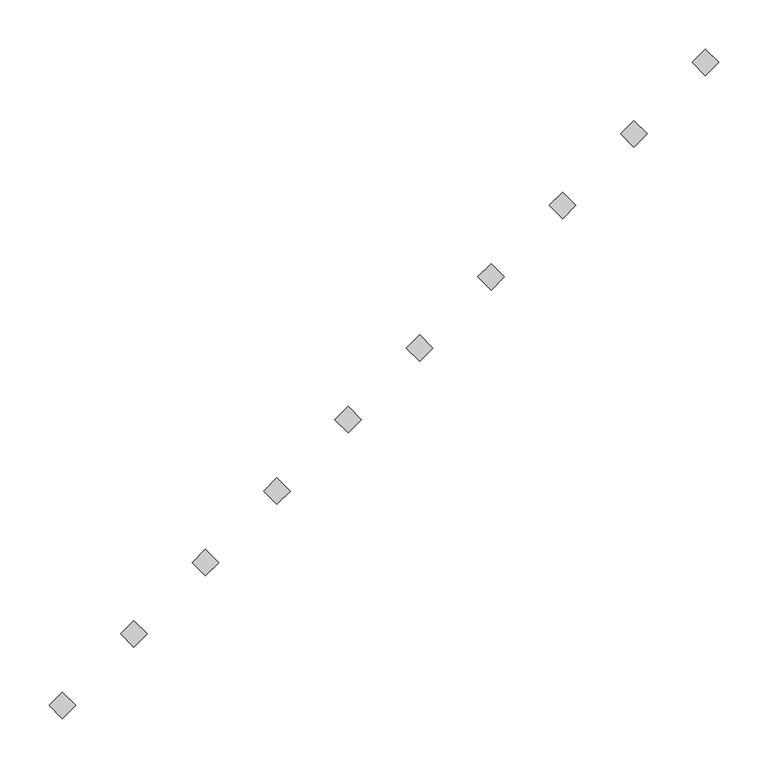
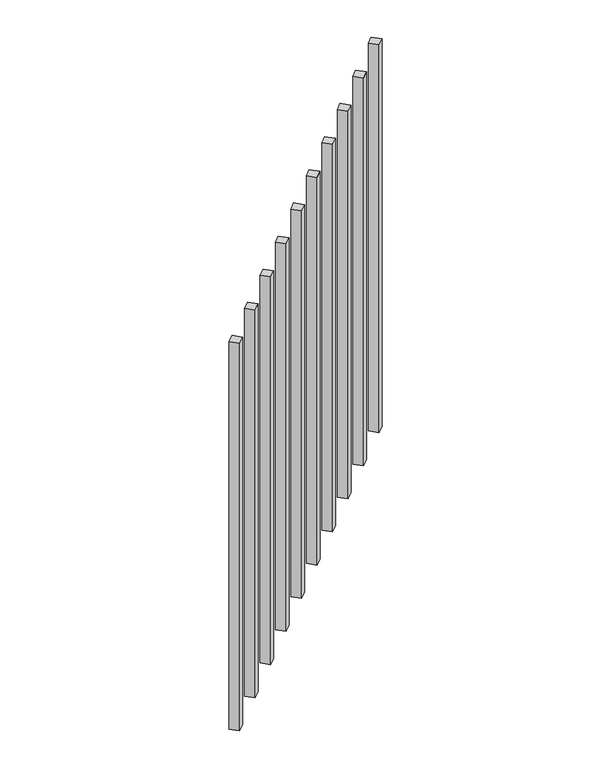
"""IFC4 building model written with IfcOpenShell, lengths in millimetres: railing geometry."""

import ifcopenshell
import ifcopenshell.guid

model = None  # the IFC model being written
_history = None  # IfcOwnerHistory: only IFC2X3 demands one
_inside = {}  # id of a spatial element -> (the spatial element, [elements in it])
_under = {}  # id of a project, library or spatial element -> (it, [spatial elements below it])
_declared = {}  # id of a project -> (the project, [libraries it declares])
_typed = {}  # id of a type object -> (the type object, [elements of that type])
_made_of = {}  # id of a material, layer set ... -> (it, [elements and type objects made of it])


def new_model(schema):
    """Start an empty IFC model of exactly this schema.

    Asked for "IFC4X3", IfcOpenShell would pick the latest addendum, in which some entities
    have other attributes; the version numbers below select the first issue.
    IFC2X3 requires an IfcOwnerHistory on every rooted entity: one is made here for all.
    """
    global model, _history
    if schema == "IFC4X3":
        model = ifcopenshell.file(schema_version=(4, 3, 0, 0))
    else:
        model = ifcopenshell.file(schema=schema)
    _inside.clear()
    _under.clear()
    _declared.clear()
    _typed.clear()
    _made_of.clear()
    _history = None
    if model.schema == "IFC2X3":
        org = make("IfcOrganization", Name="unknown")
        user = make(
            "IfcPersonAndOrganization",
            ThePerson=make("IfcPerson", FamilyName="unknown"),
            TheOrganization=org,
        )
        app = make(
            "IfcApplication",
            ApplicationDeveloper=org,
            Version="unknown",
            ApplicationFullName="unknown",
            ApplicationIdentifier="unknown",
        )
        _history = make(
            "IfcOwnerHistory",
            OwningUser=user,
            OwningApplication=app,
            ChangeAction="ADDED",
            CreationDate=0,
        )
    return model


def make(cls, **values):
    """One entity of the class cls with the attributes given. An attribute that is None is left unset."""
    return model.create_entity(
        cls, **{name: value for name, value in values.items() if value is not None}
    )


def rooted(cls, **values):
    """An entity with a GlobalId (a new one), such as an element, a storey or a relation."""
    return make(cls, GlobalId=ifcopenshell.guid.new(), OwnerHistory=_history, **values)


def si_unit(unit_type, name, prefix=None):
    """IfcSIUnit, for example si_unit("LENGTHUNIT", "METRE", prefix="MILLI")."""
    return make("IfcSIUnit", UnitType=unit_type, Prefix=prefix, Name=name)


def assignment(units):
    """IfcUnitAssignment: the units of a project."""
    return None if units is None else make("IfcUnitAssignment", Units=units)


def point(xyz):
    """IfcCartesianPoint."""
    return None if xyz is None else make("IfcCartesianPoint", Coordinates=xyz)


def direction(xyz):
    """IfcDirection."""
    return None if xyz is None else make("IfcDirection", DirectionRatios=xyz)


def frame(location, z_axis=None, x_axis=None):
    """IfcAxis2Placement3D, a coordinate frame: its origin and axes. An axis left out is left unset."""
    return make(
        "IfcAxis2Placement3D",
        Location=point(location),
        Axis=direction(z_axis),
        RefDirection=direction(x_axis),
    )


def origin():
    """The frame at (0, 0, 0) with its axes left unset."""
    return frame((0.0, 0.0, 0.0))


def place(relative_to, where):
    """IfcLocalPlacement: puts the frame where relative to a parent placement (None: the world)."""
    return make(
        "IfcLocalPlacement", PlacementRelTo=relative_to, RelativePlacement=where
    )


def context(
    kind, dimensions, precision=None, world=None, true_north=None, identifier=None
):
    """IfcGeometricRepresentationContext, for example the 3D "Model" context."""
    return make(
        "IfcGeometricRepresentationContext",
        ContextIdentifier=identifier,
        ContextType=kind,
        CoordinateSpaceDimension=dimensions,
        Precision=precision,
        WorldCoordinateSystem=world,
        TrueNorth=true_north,
    )


def project(units=None, contexts=None):
    """IfcProject with its units and contexts."""
    return rooted(
        "IfcProject",
        Name="project",
        RepresentationContexts=contexts,
        UnitsInContext=assignment(units),
    )


def spatial(cls, under=None, at=None, **own):
    """A site, building, storey or space (cls), placed at a placement, below another one or the project."""
    s = rooted(cls, ObjectPlacement=at, **own)
    if under is not None:
        _under.setdefault(under.id(), (under, []))[1].append(s)
    return s


def polyline(points):
    """IfcPolyline through the points."""
    return make("IfcPolyline", Points=[point(p) for p in points])


def outline(outer, holes=None, kind="AREA"):
    """IfcArbitraryClosedProfileDef: a profile drawn as a closed curve; with holes, ...WithVoids."""
    if holes is None:
        return make("IfcArbitraryClosedProfileDef", ProfileType=kind, OuterCurve=outer)
    return make(
        "IfcArbitraryProfileDefWithVoids",
        ProfileType=kind,
        OuterCurve=outer,
        InnerCurves=holes,
    )


def extrude(swept, where, along, depth):
    """IfcExtrudedAreaSolid: the profile swept, set in the frame where, extruded along a direction by depth."""
    return make(
        "IfcExtrudedAreaSolid",
        SweptArea=swept,
        Position=where,
        ExtrudedDirection=direction(along),
        Depth=depth,
    )


def shape(context_of_items, identifier, shape_type, items):
    """IfcShapeRepresentation: the items that make up one representation, for example the "Body"."""
    return make(
        "IfcShapeRepresentation",
        ContextOfItems=context_of_items,
        RepresentationIdentifier=identifier,
        RepresentationType=shape_type,
        Items=items,
    )


def source(mapping_origin, context_of_items, identifier, shape_type, items):
    """IfcRepresentationMap: a shape defined once, which mapped items show again and again."""
    return make(
        "IfcRepresentationMap",
        MappingOrigin=mapping_origin,
        MappedRepresentation=shape(context_of_items, identifier, shape_type, items),
    )


def transform(
    local_origin,
    x_axis=None,
    y_axis=None,
    z_axis=None,
    scale=None,
    scale2=None,
    scale3=None,
    uniform=True,
):
    """IfcCartesianTransformationOperator3D, or its non-uniform kind. x_axis, y_axis, z_axis: its Axis1, 2, 3."""
    if uniform:
        return make(
            "IfcCartesianTransformationOperator3D",
            Axis1=direction(x_axis),
            Axis2=direction(y_axis),
            LocalOrigin=point(local_origin),
            Scale=scale,
            Axis3=direction(z_axis),
        )
    return make(
        "IfcCartesianTransformationOperator3DnonUniform",
        Axis1=direction(x_axis),
        Axis2=direction(y_axis),
        LocalOrigin=point(local_origin),
        Scale=scale,
        Axis3=direction(z_axis),
        Scale2=scale2,
        Scale3=scale3,
    )


def mapped(mapping_source, mapping_target):
    """IfcMappedItem: shows the shape of a source again, moved by a transform."""
    return make(
        "IfcMappedItem", MappingSource=mapping_source, MappingTarget=mapping_target
    )


def made_of(thing, what):
    """Note that an element or type object is made of a material, layer set ...; save() writes the relation."""
    if what is not None:
        _made_of.setdefault(what.id(), (what, []))[1].append(thing)
    return thing


def element(
    cls,
    number,
    at=None,
    inside=None,
    cuts=None,
    type_object=None,
    material=None,
    context=None,
    identifier="Body",
    shape_type=None,
    held_by="IfcProductDefinitionShape",
    body=None,
    shapes=None,
    **own,
):
    """One element of the class cls, such as IfcWall. Its Tag is "e" and its number.

    at: its placement. inside: the storey or other place that contains it. cuts: it is an
    opening in that element (IfcRelVoidsElement). A single representation is given by context,
    identifier, shape_type and body (its items); several are given by shapes. held_by: the class
    of the entity that holds the representations. save() writes the other relations.
    """
    e = rooted(cls, Tag="e%d" % number, ObjectPlacement=at, **own)
    if body is not None:
        shapes = [shape(context, identifier, shape_type, body)]
    if shapes is not None:
        e.Representation = make(held_by, Representations=shapes)
    if inside is not None:
        _inside.setdefault(inside.id(), (inside, []))[1].append(e)
    if cuts is not None:
        rooted(
            "IfcRelVoidsElement", RelatingBuildingElement=cuts, RelatedOpeningElement=e
        )
    if type_object is not None:
        _typed.setdefault(type_object.id(), (type_object, []))[1].append(e)
    return made_of(e, material)


def aggregate(whole, parts):
    """IfcRelAggregates: a whole, such as a stair, and the parts it consists of."""
    return rooted("IfcRelAggregates", RelatingObject=whole, RelatedObjects=parts)


def save(model, path):
    """Write the relations noted so far, then the file.

    IfcRelAggregates (storeys below a building ...), IfcRelContainedInSpatialStructure (elements
    in a storey), IfcRelDefinesByType, IfcRelAssociatesMaterial and IfcRelDeclares: one each for
    every whole, place, type object, material and project.
    """
    for whole, parts in _under.values():
        aggregate(whole, parts)
    for where, things in _inside.values():
        rooted(
            "IfcRelContainedInSpatialStructure",
            RelatedElements=things,
            RelatingStructure=where,
        )
    for kind, things in _typed.values():
        rooted("IfcRelDefinesByType", RelatedObjects=things, RelatingType=kind)
    for what, things in _made_of.values():
        rooted("IfcRelAssociatesMaterial", RelatedObjects=things, RelatingMaterial=what)
    for by, libraries in _declared.values():
        rooted("IfcRelDeclares", RelatingContext=by, RelatedDefinitions=libraries)
    model.write(path)


def railing_b25f9a92(model_context):
    return source(origin(), model_context, "Body", "SweptSolid", [
        extrude(outline(polyline([(7760.9815093, 2076.5411282), (7774.4518935, 2090.0115123), (7787.9222777, 2076.5411282), (7774.4518935, 2063.070744), (7760.9815093, 2076.5411282)])), frame((0.0, 0.0, 101.6), z_axis=(0.0, 0.0, 1.0), x_axis=(1.0, 0.0, 0.0)), (0.0, 0.0, 1.0), 812.8),
        extrude(outline(polyline([(7688.3230734, 2003.8826923), (7701.7934576, 2017.3530765), (7715.2638418, 2003.8826923), (7701.7934576, 1990.4123081), (7688.3230734, 2003.8826923)])), frame((0.0, 0.0, 101.6), z_axis=(0.0, 0.0, 1.0), x_axis=(1.0, 0.0, 0.0)), (0.0, 0.0, 1.0), 812.8),
        extrude(outline(polyline([(7615.6646376, 1931.2242564), (7629.1350217, 1944.6946406), (7642.6054059, 1931.2242564), (7629.1350217, 1917.7538722), (7615.6646376, 1931.2242564)])), frame((0.0, 0.0, 101.6), z_axis=(0.0, 0.0, 1.0), x_axis=(1.0, 0.0, 0.0)), (0.0, 0.0, 1.0), 812.8),
        extrude(outline(polyline([(7543.0062017, 1858.5658205), (7556.4765858, 1872.0362047), (7569.94697, 1858.5658205), (7556.4765858, 1845.0954363), (7543.0062017, 1858.5658205)])), frame((0.0, 0.0, 101.6), z_axis=(0.0, 0.0, 1.0), x_axis=(1.0, 0.0, 0.0)), (0.0, 0.0, 1.0), 812.8),
        extrude(outline(polyline([(7470.3477658, 1785.9073846), (7483.81815, 1799.3777688), (7497.2885341, 1785.9073846), (7483.81815, 1772.4370004), (7470.3477658, 1785.9073846)])), frame((0.0, 0.0, 101.6), z_axis=(0.0, 0.0, 1.0), x_axis=(1.0, 0.0, 0.0)), (0.0, 0.0, 1.0), 812.8),
        extrude(outline(polyline([(7397.6893299, 1713.2489487), (7411.1597141, 1726.7193329), (7424.6300983, 1713.2489487), (7411.1597141, 1699.7785645), (7397.6893299, 1713.2489487)])), frame((0.0, 0.0, 101.6), z_axis=(0.0, 0.0, 1.0), x_axis=(1.0, 0.0, 0.0)), (0.0, 0.0, 1.0), 812.8),
        extrude(outline(polyline([(7325.030894, 1640.5905128), (7338.5012782, 1654.060897), (7351.9716624, 1640.5905128), (7338.5012782, 1627.1201287), (7325.030894, 1640.5905128)])), frame((0.0, 0.0, 101.6), z_axis=(0.0, 0.0, 1.0), x_axis=(1.0, 0.0, 0.0)), (0.0, 0.0, 1.0), 812.8),
        extrude(outline(polyline([(7252.3724581, 1567.9320769), (7265.8428423, 1581.4024611), (7279.3132265, 1567.9320769), (7265.8428423, 1554.4616928), (7252.3724581, 1567.9320769)])), frame((0.0, 0.0, 101.6), z_axis=(0.0, 0.0, 1.0), x_axis=(1.0, 0.0, 0.0)), (0.0, 0.0, 1.0), 812.8),
        extrude(outline(polyline([(7179.7140222, 1495.2736411), (7193.1844064, 1508.7440252), (7206.6547906, 1495.2736411), (7193.1844064, 1481.8032569), (7179.7140222, 1495.2736411)])), frame((0.0, 0.0, 101.6), z_axis=(0.0, 0.0, 1.0), x_axis=(1.0, 0.0, 0.0)), (0.0, 0.0, 1.0), 812.8),
        extrude(outline(polyline([(7107.0555863, 1422.6152052), (7120.5259705, 1436.0855893), (7133.9963547, 1422.6152052), (7120.5259705, 1409.144821), (7107.0555863, 1422.6152052)])), frame((0.0, 0.0, 101.6), z_axis=(0.0, 0.0, 1.0), x_axis=(1.0, 0.0, 0.0)), (0.0, 0.0, 1.0), 812.8),
    ])


if __name__ == "__main__":
    model = new_model("IFC4")
    model_context = context("Model", 3, world=origin())
    ifc_project = project(units=[si_unit("LENGTHUNIT", "METRE", prefix="MILLI")], contexts=[model_context])
    site = spatial("IfcSite", under=ifc_project)
    building = spatial("IfcBuilding", under=site)
    placement = place(None, origin())
    railing_shape = railing_b25f9a92(model_context)
    element("IfcRailing", 1, at=placement, inside=building, context=model_context, shape_type="MappedRepresentation", body=[
        mapped(railing_shape, transform((0.0, 0.0, 0.0), x_axis=(1.0, 0.0, 0.0), y_axis=(0.0, 1.0, 0.0), z_axis=(0.0, 0.0, 1.0))),
    ])
    save(model, "model.ifc")
